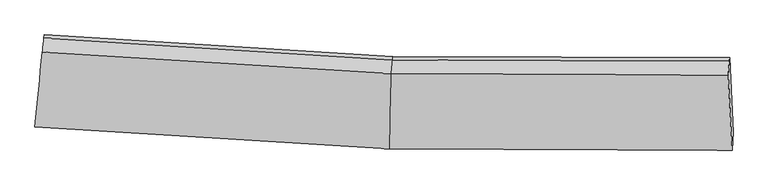
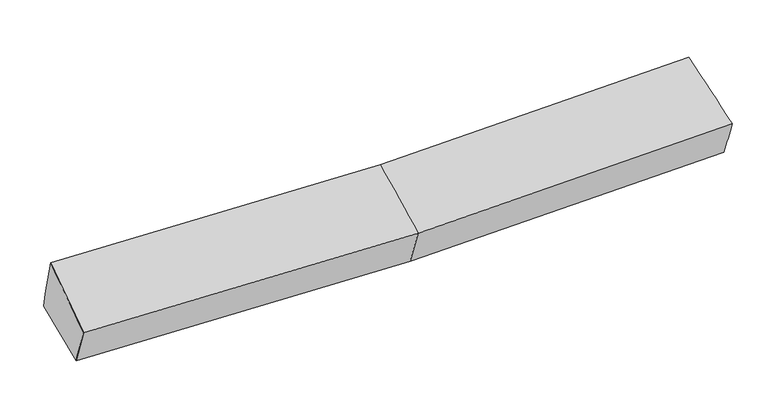
"""IFC4 building model written with IfcOpenShell, lengths in millimetres: proxy geometry."""

from ifc_helpers import new_model, si_unit, frame, origin, place, context, project, spatial, source, transform, mapped, element, save
from ifc_brep_helpers import plane_surface, spline_surface, advanced_brep


def generic_models_3a31ca42(model_context):
    return source(origin(), model_context, "Body", "AdvancedBrep", [
        advanced_brep(
        [(-3001.0471476, -1936.6465287, 2052.0429352), (-2983.5044944, -1786.1164477, 1678.7708326), (20.9767023, -1973.1097418, 1719.3493495), (8.6056648, -2123.9816594, 2092.6906604), (-2919.9781512, -1153.0404047, 1811.733713), (37.7949627, -1336.94636, 1851.687166), (-2923.822383, -1182.4640028, 1953.664942), (33.950731, -1366.369958, 1993.618395), (-2937.8667893, -1298.2563668, 2332.1612021), (22.545371, -1482.3367593, 2372.1499718), (2898.0440286, -1377.8501112, 2053.488594), (2889.1938229, -1493.8083386, 2432.091155), (2922.9294699, -2135.2932645, 2153.9563028), (2930.293291, -1984.4381486, 1780.4758874), (2901.8882604, -1348.4265131, 1911.557365)],
        [
            (0, 1),
            (1, 2),
            (2, 3),
            (3, 0),
            (1, 4),
            (4, 5),
            (5, 1),
            (4, 6),
            (6, 7),
            (7, 5),
            (6, 8),
            (8, 9),
            (9, 7),
            (8, 0),
            (3, 9),
            (10, 11),
            (11, 12),
            (12, 13),
            (13, 14),
            (14, 10),
            (5, 2),
            (9, 11),
            (10, 7),
            (3, 12),
            (2, 13),
            (5, 14),
        ],
        [
            spline_surface(1, 1, [[(-3001.0471476, -1936.6465287, 2052.0429352), (8.6056648, -2123.9816594, 2092.6906604)], [(-2983.5044944, -1786.1164477, 1678.7708326), (20.9767023, -1973.1097418, 1719.3493495)]], [2, 2], [2, 2], [0.0, 1.0], [0.0, 1.0]),
            plane_surface(frame((-2951.7413228, -1469.5784262, 1745.2522728), z_axis=(0.02584341710481553, 0.20298924851674893, -0.9788398657487097), x_axis=(0.09773283569473616, 0.973963142998683, 0.20455827753281608))),
            plane_surface(frame((-2921.9002671, -1167.7522038, 1882.6993275), z_axis=(0.058002922589998944, 0.9772182857118121, 0.20415700585942645), x_axis=(-0.02651194297213095, -0.20292136603390074, 0.9788360619055564))),
            spline_surface(1, 1, [[(-2923.822383, -1182.4640028, 1953.664942), (33.950731, -1366.369958, 1993.618395)], [(-2937.8667893, -1298.2563668, 2332.1612021), (22.545371, -1482.3367593, 2372.1499718)]], [2, 2], [2, 2], [0.0, 1.0], [0.0, 1.0]),
            spline_surface(1, 1, [[(-2937.8667893, -1298.2563668, 2332.1612021), (22.545371, -1482.3367593, 2372.1499718)], [(-3001.0471476, -1936.6465287, 2052.0429352), (8.6056648, -2123.9816594, 2092.6906604)]], [2, 2], [2, 2], [0.0, 1.0], [0.0, 1.0]),
            plane_surface(frame((2908.4697745, -1667.9632752, 2066.3138609), z_axis=(0.9986928570690051, 0.03742868256262666, 0.0348090643507417), x_axis=(-0.02234554651291076, -0.29277850151489776, 0.9559191522308413))),
            plane_surface(frame((-2953.2437931, -1471.3047501, 1965.674725), z_axis=(-0.9948594924444879, 0.10108766139874892, -0.005989574778578553), x_axis=(0.0902576547597855, 0.911985945610307, 0.4001689527768711))),
            plane_surface(frame((-2983.5044944, -1786.1164477, 1678.7708326), z_axis=(0.025851048247933446, 0.20294164101315695, -0.9788495357547912), x_axis=(0.025874246802478663, 0.9787128951667822, 0.20359664090220106))),
            spline_surface(1, 1, [[(33.950731, -1366.369958, 1993.618395), (2898.0440286, -1377.8501112, 2053.488594)], [(22.545371, -1482.3367593, 2372.1499718), (2889.1938229, -1493.8083386, 2432.091155)]], [2, 2], [2, 2], [0.0, 1.0], [0.0, 1.0]),
            spline_surface(1, 1, [[(22.545371, -1482.3367593, 2372.1499718), (2889.1938229, -1493.8083386, 2432.091155)], [(8.6056648, -2123.9816594, 2092.6906604), (2922.9294699, -2135.2932645, 2153.9563028)]], [2, 2], [2, 2], [0.0, 1.0], [0.0, 1.0]),
            spline_surface(1, 1, [[(8.6056648, -2123.9816594, 2092.6906604), (2922.9294699, -2135.2932645, 2153.9563028)], [(20.9767023, -1973.1097418, 1719.3493495), (2930.293291, -1984.4381486, 1780.4758874)]], [2, 2], [2, 2], [0.0, 1.0], [0.0, 1.0]),
            spline_surface(1, 1, [[(20.9767023, -1973.1097418, 1719.3493495), (2930.293291, -1984.4381486, 1780.4758874)], [(37.7949627, -1336.94636, 1851.687166), (2901.8882604, -1348.4265131, 1911.557365)]], [2, 2], [2, 2], [0.0, 1.0], [0.0, 1.0]),
            plane_surface(frame((35.8728469, -1351.658159, 1922.6527805), z_axis=(-0.00031827200161749745, 0.979181910858057, 0.20298444312630776), x_axis=(-0.026511942972132104, -0.2029213660339025, 0.9788360619055559))),
        ],
        [
            (0, [[1, 2, 3, 4]]),
            (1, [[5, 6, 7]]),
            (2, [[8, 9, 10, -6]]),
            (3, [[11, 12, 13, -9]]),
            (4, [[14, -4, 15, -12]]),
            (5, [[16, 17, 18, 19, 20]]),
            (6, [[-14, -11, -8, -5, -1]]),
            (7, [[21, -2, -7]]),
            (8, [[-13, 22, -16, 23]]),
            (9, [[-15, 24, -17, -22]]),
            (10, [[-3, 25, -18, -24]]),
            (11, [[-21, 26, -19, -25]]),
            (12, [[-10, -23, -20, -26]]),
        ],
    ),
    ])


if __name__ == "__main__":
    model = new_model("IFC4")
    model_context = context("Model", 3, world=origin())
    ifc_project = project(units=[si_unit("LENGTHUNIT", "METRE", prefix="MILLI")], contexts=[model_context])
    site = spatial("IfcSite", under=ifc_project)
    building = spatial("IfcBuilding", under=site)
    placement = place(None, origin())
    generic_models_shape = generic_models_3a31ca42(model_context)
    element("IfcBuildingElementProxy", 1, Name="Generic Models", at=placement, inside=building, context=model_context, shape_type="MappedRepresentation", body=[
        mapped(generic_models_shape, transform((0.0, 0.0, 0.0), x_axis=(1.0, 0.0, 0.0), y_axis=(0.0, 1.0, 0.0), z_axis=(0.0, 0.0, 1.0))),
    ])
    save(model, "model.ifc")
